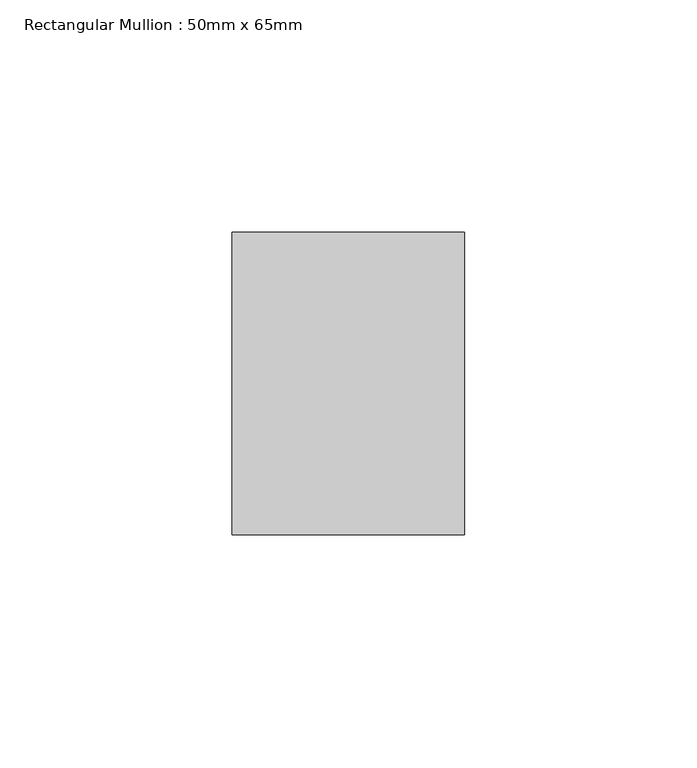
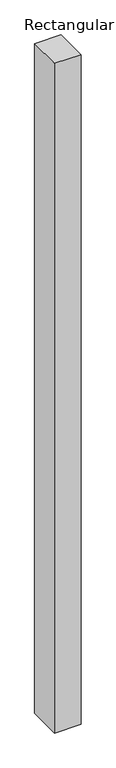
"""IFC4 building model written with IfcOpenShell, lengths in millimetres: member geometry, Rectangular Mullion : 50mm x 65mm."""

from ifc_helpers import new_model, si_unit, frame, origin, place, context, project, spatial, polyline, outline, extrude, source, transform, mapped, element, save


def rectangular_mullion_50mm_x_65mm_7a2963c2(model_context):
    return source(origin(), model_context, "Body", "SweptSolid", [
        extrude(outline(polyline([(25.0, 32.5), (25.0, -32.5), (-25.0, -32.5), (-25.0, 32.5), (25.0, 32.5)])), frame((0.0, 0.0, -1337.4791478), z_axis=(0.0, 0.0, 1.0), x_axis=(1.0, 0.0, 0.0)), (0.0, 0.0, 1.0), 1337.4791478),
    ])


if __name__ == "__main__":
    model = new_model("IFC4")
    model_context = context("Model", 3, world=origin())
    ifc_project = project(units=[si_unit("LENGTHUNIT", "METRE", prefix="MILLI")], contexts=[model_context])
    site = spatial("IfcSite", under=ifc_project)
    building = spatial("IfcBuilding", under=site)
    placement = place(None, origin())
    rectangular_mullion_50mm_x_65mm_shape = rectangular_mullion_50mm_x_65mm_7a2963c2(model_context)
    element("IfcMember", 1, ObjectType="Rectangular Mullion : 50mm x 65mm", at=placement, inside=building, context=model_context, shape_type="MappedRepresentation", body=[
        mapped(rectangular_mullion_50mm_x_65mm_shape, transform((0.0, 0.0, 0.0), x_axis=(1.0, 0.0, 0.0), y_axis=(0.0, 1.0, 0.0), z_axis=(0.0, 0.0, 1.0))),
    ])
    save(model, "model.ifc")
